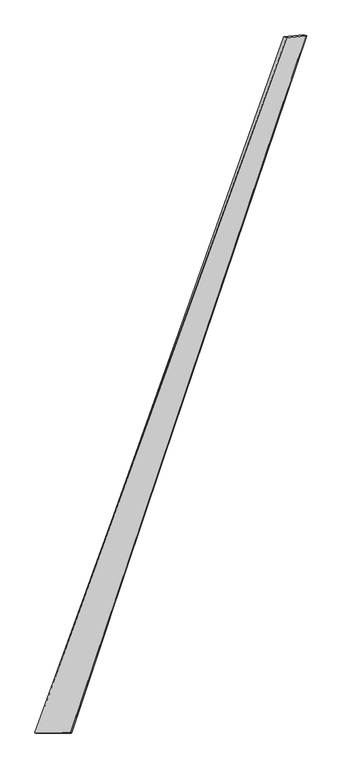
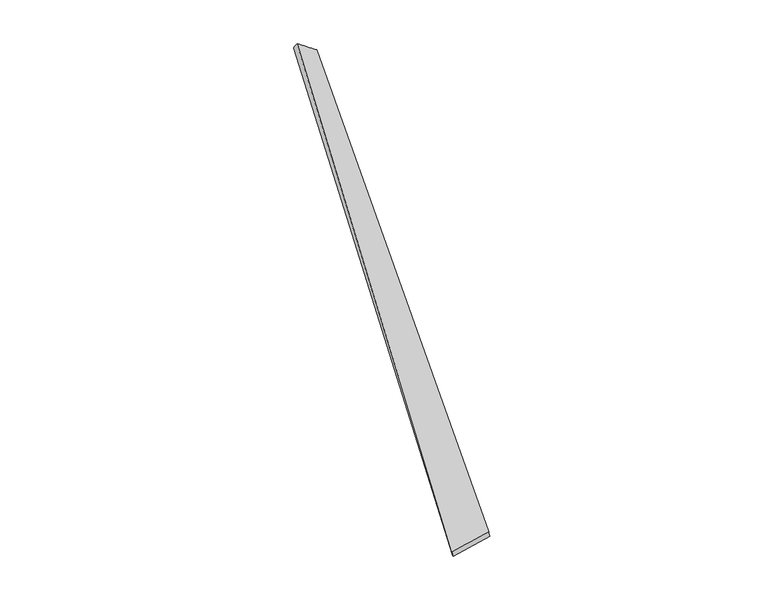
"""IFC4 building model written with IfcOpenShell, lengths in millimetres: proxy geometry."""

from ifc_helpers import new_model, si_unit, origin, place, context, project, spatial, source, transform, mapped, element, save
from ifc_brep_helpers import spline_surface, advanced_brep


def generic_models_d6e4955c(model_context):
    return source(origin(), model_context, "Body", "AdvancedBrep", [
        advanced_brep(
        [(-726.6695057, -1840.8960811, -22.2827941), (-733.8938603, -1838.782821, 6.7575715), (731.9624205, 2208.4103532, 66.1593389), (715.9928334, 2214.479239, 41.4988257), (-525.2830645, -1837.2525529, 51.5999924), (849.707598, 2219.9114807, -19.0797951), (-519.8952116, -1839.5023945, 22.1736563), (830.5718839, 2225.9192366, -41.3896879)],
        [
            (0, 1),
            (1, 2),
            (2, 3),
            (3, 0),
            (1, 4),
            (4, 5),
            (5, 2),
            (4, 6),
            (6, 7),
            (7, 5),
            (6, 0),
            (3, 7),
        ],
        [
            spline_surface(1, 1, [[(-726.6695057, -1840.8960811, -22.2827941), (715.9928334, 2214.479239, 41.4988257)], [(-733.8938603, -1838.782821, 6.7575715), (731.9624205, 2208.4103532, 66.1593389)]], [2, 2], [2, 2], [0.0, 1.0], [0.0, 1.0]),
            spline_surface(1, 1, [[(-733.8938603, -1838.782821, 6.7575715), (731.9624205, 2208.4103532, 66.1593389)], [(-525.2830645, -1837.2525529, 51.5999924), (849.707598, 2219.9114807, -19.0797951)]], [2, 2], [2, 2], [0.0, 1.0], [0.0, 1.0]),
            spline_surface(1, 1, [[(-525.2830645, -1837.2525529, 51.5999924), (849.707598, 2219.9114807, -19.0797951)], [(-519.8952116, -1839.5023945, 22.1736563), (830.5718839, 2225.9192366, -41.3896879)]], [2, 2], [2, 2], [0.0, 1.0], [0.0, 1.0]),
            spline_surface(1, 1, [[(-519.8952116, -1839.5023945, 22.1736563), (830.5718839, 2225.9192366, -41.3896879)], [(-726.6695057, -1840.8960811, -22.2827941), (715.9928334, 2214.479239, 41.4988257)]], [2, 2], [2, 2], [0.0, 1.0], [0.0, 1.0]),
            spline_surface(1, 1, [[(731.9624205, 2208.4103532, 66.1593389), (715.9928334, 2214.479239, 41.4988257)], [(849.707598, 2219.9114807, -19.0797951), (830.5718839, 2225.9192366, -41.3896879)]], [2, 2], [2, 2], [0.0, 1.0], [0.0, 1.0]),
            spline_surface(1, 1, [[(-519.8952116, -1839.5023945, 22.1736563), (-726.6695057, -1840.8960811, -22.2827941)], [(-525.2830645, -1837.2525529, 51.5999924), (-733.8938603, -1838.782821, 6.7575715)]], [2, 2], [2, 2], [0.0, 1.0], [0.0, 1.0]),
        ],
        [
            (0, [[1, 2, 3, 4]]),
            (1, [[5, 6, 7, -2]]),
            (2, [[8, 9, 10, -6]]),
            (3, [[11, -4, 12, -9]]),
            (4, [[-3, -7, -10, -12]]),
            (5, [[-11, -8, -5, -1]]),
        ],
    ),
    ])


if __name__ == "__main__":
    model = new_model("IFC4")
    model_context = context("Model", 3, world=origin())
    ifc_project = project(units=[si_unit("LENGTHUNIT", "METRE", prefix="MILLI")], contexts=[model_context])
    site = spatial("IfcSite", under=ifc_project)
    building = spatial("IfcBuilding", under=site)
    placement = place(None, origin())
    generic_models_shape = generic_models_d6e4955c(model_context)
    element("IfcBuildingElementProxy", 1, Name="Generic Models", at=placement, inside=building, context=model_context, shape_type="MappedRepresentation", body=[
        mapped(generic_models_shape, transform((0.0, 0.0, 0.0), x_axis=(1.0, 0.0, 0.0), y_axis=(0.0, 1.0, 0.0), z_axis=(0.0, 0.0, 1.0))),
    ])
    save(model, "model.ifc")
